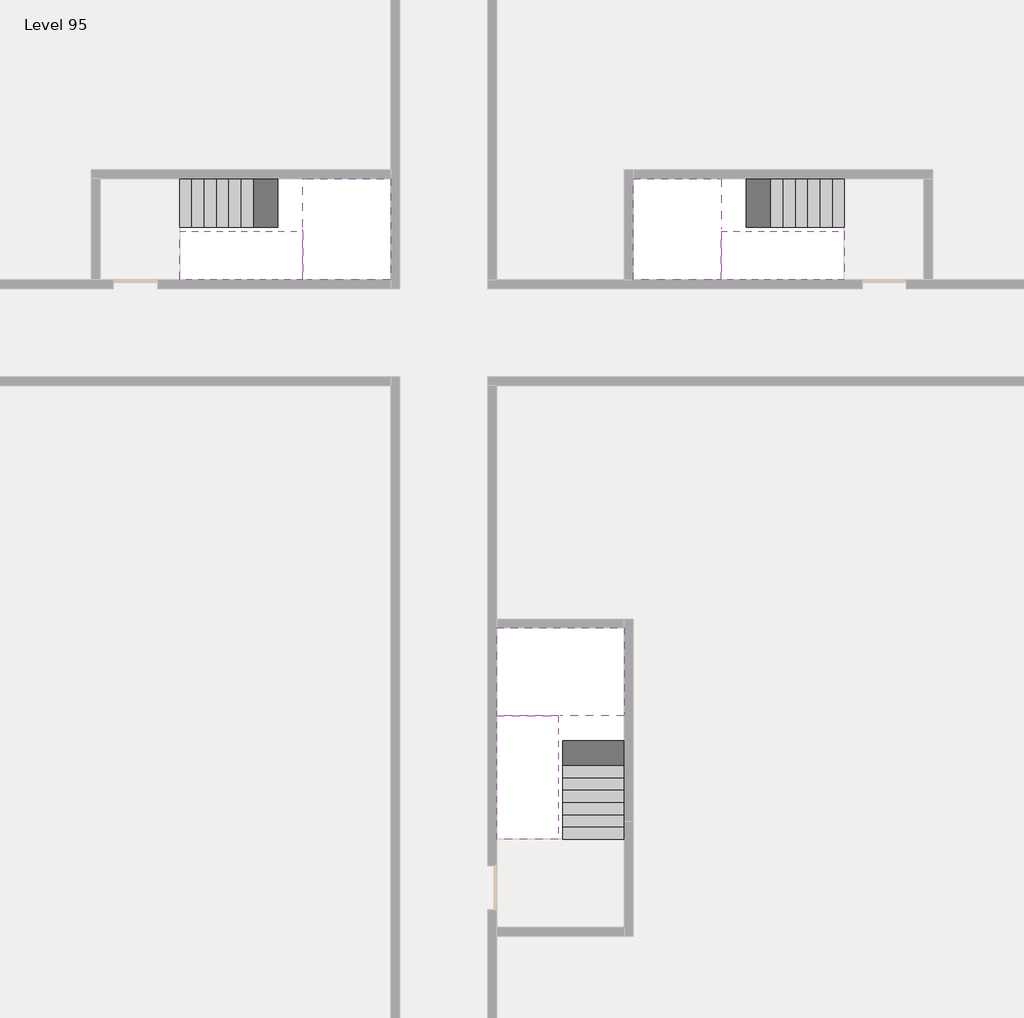
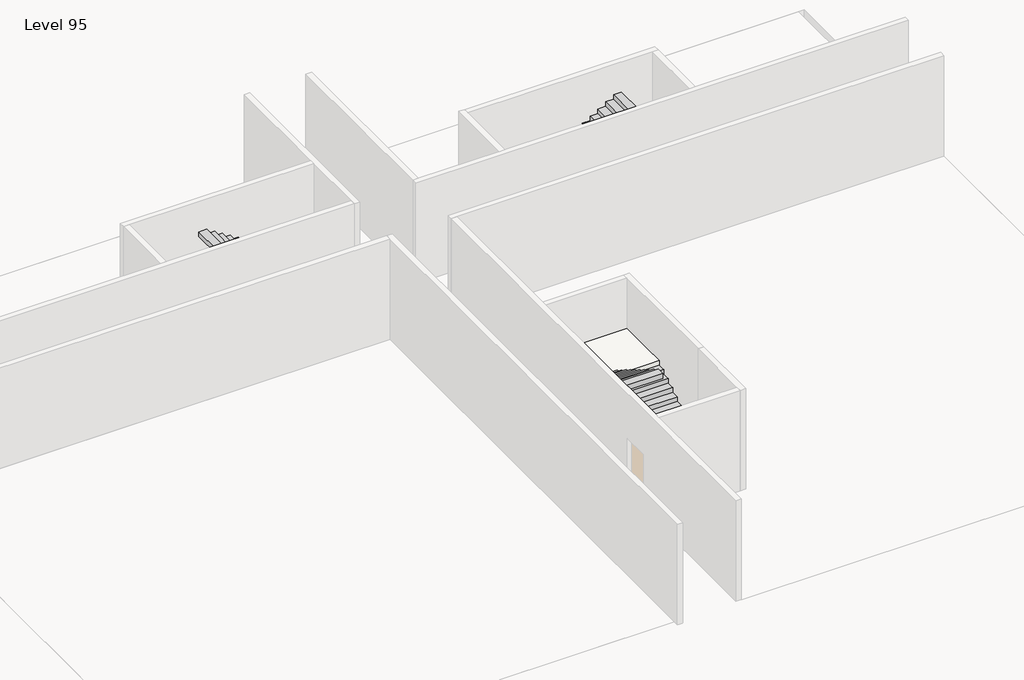
# One storey, part 2 of 2: 6 stair flights, 3 slabs.
"""IFC4 building model written with IfcOpenShell, lengths in millimetres."""

from ifc_helpers import new_model, si_unit, origin, place, context, project, spatial, faceted_brep, element, save

model = new_model("IFC4")

# Units and contexts
model_context = context("Model", 3, world=origin())
ifc_project = project(units=[si_unit("LENGTHUNIT", "METRE", prefix="MILLI")], contexts=[model_context])

# Site, building, storey
site = spatial("IfcSite", under=ifc_project)
building = spatial("IfcBuilding", under=site)
storey = spatial("IfcBuildingStorey", under=building, Name="Level 95", Elevation=357200.0)

# Slabs
placement = place(None, origin())
element("IfcSlab", 1, at=placement, inside=storey, context=model_context, shape_type="Brep", body=[
    faceted_brep([(26890.1058784, -40418.09644, 359100.0), (28290.1058784, -40418.09644, 359100.0), (28290.1058784, -40338.7100038, 359100.0), (28290.1058784, -38418.09644, 359100.0), (25390.1058784, -38418.09644, 359100.0), (25390.1058784, -40217.4828763, 359100.0), (25390.1058784, -40418.09644, 359100.0), (26790.1058784, -40418.09644, 359100.0), (26890.1058784, -40418.09644, 358800.0), (26890.1058784, -40418.09644, 358751.0278478), (28290.1058784, -40418.09644, 358751.0278478), (28290.1058784, -40418.09644, 358927.2727273), (28290.1058784, -40338.7100038, 358800.0), (28290.1058784, -38418.09644, 358800.0), (25390.1058784, -38418.09644, 358800.0), (25390.1058784, -40217.4828763, 358800.0), (25390.1058784, -40418.09644, 358923.7551205), (26790.1058784, -40418.09644, 358923.7551205), (26790.1058784, -40418.09644, 358800.0), (26790.1058784, -40217.4828763, 358800.0), (26890.1058784, -40338.7100038, 358800.0)], [[[0, 1, 2, 3, 4, 5, 6, 7]], [[1, 0, 8, 9, 10, 11]], [[1, 11, 10, 12, 13, 3, 2]], [[4, 3, 13, 14]], [[4, 14, 15, 16, 6, 5]], [[7, 6, 16, 17]], [[0, 7, 17, 18, 8]], [[18, 19, 15, 14, 13, 12, 20, 8]], [[19, 18, 17]], [[20, 12, 10, 9]], [[8, 20, 9]], [[15, 19, 17, 16]]]),
])
element("IfcSlab", 2, at=placement, inside=storey, context=model_context, shape_type="Brep", body=[
    faceted_brep([(20990.1058784, -28218.09644, 359100.0), (20990.1058784, -29318.09644, 359100.0), (20990.1058784, -29418.09644, 359100.0), (20990.1058784, -30518.09644, 359100.0), (21190.7194421, -30518.09644, 359100.0), (22990.1058784, -30518.09644, 359100.0), (22990.1058784, -28218.09644, 359100.0), (21069.4923146, -28218.09644, 359100.0), (20990.1058784, -28218.09644, 358927.2727273), (20990.1058784, -28218.09644, 358751.0278478), (20990.1058784, -29318.09644, 358751.0278478), (20990.1058784, -29318.09644, 358800.0), (20990.1058784, -29418.09644, 358800.0), (20990.1058784, -29418.09644, 358923.7551205), (20990.1058784, -30518.09644, 358923.7551205), (21190.7194421, -30518.09644, 358800.0), (22990.1058784, -30518.09644, 358800.0), (22990.1058784, -28218.09644, 358800.0), (21069.4923146, -28218.09644, 358800.0), (21190.7194421, -29418.09644, 358800.0), (21069.4923146, -29318.09644, 358800.0)], [[[0, 1, 2, 3, 4, 5, 6, 7]], [[1, 0, 8, 9, 10, 11]], [[2, 1, 11, 12, 13]], [[3, 2, 13, 14]], [[3, 14, 15, 16, 5, 4]], [[6, 5, 16, 17]], [[9, 8, 0, 7, 6, 17, 18]], [[19, 12, 11, 20, 18, 17, 16, 15]], [[12, 19, 13]], [[18, 20, 10, 9]], [[20, 11, 10]], [[19, 15, 14, 13]]]),
])
element("IfcSlab", 3, at=placement, inside=storey, context=model_context, shape_type="Brep", body=[
    faceted_brep([(30490.1058784, -29318.09644, 359100.0), (30490.1058784, -28218.09644, 359100.0), (30410.7194421, -28218.09644, 359100.0), (28490.1058784, -28218.09644, 359100.0), (28490.1058784, -30518.09644, 359100.0), (30289.4923146, -30518.09644, 359100.0), (30490.1058784, -30518.09644, 359100.0), (30490.1058784, -29418.09644, 359100.0), (30490.1058784, -29318.09644, 358800.0), (30490.1058784, -29318.09644, 358751.0278478), (30490.1058784, -28218.09644, 358751.0278478), (30490.1058784, -28218.09644, 358927.2727273), (30490.1058784, -29418.09644, 358923.7551205), (30490.1058784, -29418.09644, 358800.0), (30490.1058784, -30518.09644, 358923.7551205), (28490.1058784, -30518.09644, 358800.0), (30289.4923146, -30518.09644, 358800.0), (28490.1058784, -28218.09644, 358800.0), (30410.7194421, -28218.09644, 358800.0), (30289.4923146, -29418.09644, 358800.0), (30410.7194421, -29318.09644, 358800.0)], [[[0, 1, 2, 3, 4, 5, 6, 7]], [[1, 0, 8, 9, 10, 11]], [[0, 7, 12, 13, 8]], [[7, 6, 14, 12]], [[4, 15, 16, 14, 6, 5]], [[4, 3, 17, 15]], [[1, 11, 10, 18, 17, 3, 2]], [[13, 19, 16, 15, 17, 18, 20, 8]], [[20, 18, 10, 9]], [[8, 20, 9]], [[16, 19, 12, 14]], [[19, 13, 12]]]),
])

# Stair flights
element("IfcStairFlight", 4, at=placement, inside=storey, context=model_context, shape_type="Brep", body=[
    faceted_brep([(26890.1058784, -42938.09644, 357372.7272727), (26890.1058784, -43218.09644, 357372.7272727), (28290.1058784, -43218.09644, 357372.7272727), (28290.1058784, -42938.09644, 357372.7272727), (26890.1058784, -42938.09644, 357200.0), (26890.1058784, -43218.09644, 357200.0), (28290.1058784, -43218.09644, 357200.0), (28290.1058784, -42938.09644, 357200.0), (26890.1058784, -42658.09644, 357545.4545455), (26890.1058784, -42938.09644, 357545.4545455), (28290.1058784, -42938.09644, 357545.4545455), (28290.1058784, -42658.09644, 357545.4545455), (26890.1058784, -42658.09644, 357369.209666), (26890.1058784, -42932.3942143, 357200.0), (28290.1058784, -42932.3942143, 357200.0), (28290.1058784, -42658.09644, 357369.209666), (26890.1058784, -42378.09644, 357718.1818182), (26890.1058784, -42658.09644, 357718.1818182), (28290.1058784, -42658.09644, 357718.1818182), (28290.1058784, -42378.09644, 357718.1818182), (26890.1058784, -42378.09644, 357541.9369387), (28290.1058784, -42378.09644, 357541.9369387), (26890.1058784, -42098.09644, 357890.9090909), (26890.1058784, -42378.09644, 357890.9090909), (28290.1058784, -42378.09644, 357890.9090909), (28290.1058784, -42098.09644, 357890.9090909), (26890.1058784, -42098.09644, 357714.6642114), (28290.1058784, -42098.09644, 357714.6642114), (26890.1058784, -41818.09644, 358063.6363636), (26890.1058784, -42098.09644, 358063.6363636), (28290.1058784, -42098.09644, 358063.6363636), (28290.1058784, -41818.09644, 358063.6363636), (26890.1058784, -41818.09644, 357887.3914841), (28290.1058784, -41818.09644, 357887.3914841), (26890.1058784, -41538.09644, 358236.3636364), (26890.1058784, -41818.09644, 358236.3636364), (28290.1058784, -41818.09644, 358236.3636364), (28290.1058784, -41538.09644, 358236.3636364), (26890.1058784, -41538.09644, 358060.1187569), (28290.1058784, -41538.09644, 358060.1187569), (26890.1058784, -41258.09644, 358409.0909091), (26890.1058784, -41538.09644, 358409.0909091), (28290.1058784, -41538.09644, 358409.0909091), (28290.1058784, -41258.09644, 358409.0909091), (26890.1058784, -41258.09644, 358232.8460296), (28290.1058784, -41258.09644, 358232.8460296), (26890.1058784, -40978.09644, 358581.8181818), (26890.1058784, -41258.09644, 358581.8181818), (28290.1058784, -41258.09644, 358581.8181818), (28290.1058784, -40978.09644, 358581.8181818), (26890.1058784, -40978.09644, 358405.5733023), (28290.1058784, -40978.09644, 358405.5733023), (26890.1058784, -40698.09644, 358754.5454545), (26890.1058784, -40978.09644, 358754.5454545), (28290.1058784, -40978.09644, 358754.5454545), (28290.1058784, -40698.09644, 358754.5454545), (26890.1058784, -40698.09644, 358578.3005751), (28290.1058784, -40698.09644, 358578.3005751), (26890.1058784, -40418.09644, 358927.2727273), (26890.1058784, -40698.09644, 358927.2727273), (28290.1058784, -40698.09644, 358927.2727273), (28290.1058784, -40418.09644, 358927.2727273), (26890.1058784, -40418.09644, 358800.0), (26890.1058784, -40418.09644, 358751.0278478), (28290.1058784, -40418.09644, 358751.0278478)], [[[0, 1, 2, 3]], [[1, 0, 4, 5]], [[2, 1, 5, 6]], [[3, 2, 6, 7]], [[8, 9, 10, 11]], [[4, 0, 9, 8, 12, 13]], [[0, 3, 10, 9]], [[3, 7, 14, 15, 11, 10]], [[16, 17, 18, 19]], [[17, 16, 20, 12, 8]], [[8, 11, 18, 17]], [[19, 18, 11, 15, 21]], [[22, 23, 24, 25]], [[23, 22, 26, 20, 16]], [[16, 19, 24, 23]], [[25, 24, 19, 21, 27]], [[28, 29, 30, 31]], [[29, 28, 32, 26, 22]], [[22, 25, 30, 29]], [[31, 30, 25, 27, 33]], [[34, 35, 36, 37]], [[35, 34, 38, 32, 28]], [[28, 31, 36, 35]], [[37, 36, 31, 33, 39]], [[40, 41, 42, 43]], [[41, 40, 44, 38, 34]], [[34, 37, 42, 41]], [[43, 42, 37, 39, 45]], [[46, 47, 48, 49]], [[47, 46, 50, 44, 40]], [[40, 43, 48, 47]], [[49, 48, 43, 45, 51]], [[52, 53, 54, 55]], [[53, 52, 56, 50, 46]], [[46, 49, 54, 53]], [[55, 54, 49, 51, 57]], [[58, 59, 60, 61]], [[59, 58, 62, 63, 56, 52]], [[52, 55, 60, 59]], [[61, 60, 55, 57, 64]], [[58, 61, 64, 63, 62]], [[5, 4, 13, 14, 7, 6]], [[14, 13, 12, 20, 26, 32, 38, 44, 50, 56, 63, 64, 57, 51, 45, 39, 33, 27, 21, 15]]]),
])
element("IfcStairFlight", 5, at=placement, inside=storey, context=model_context, shape_type="Brep", body=[
    faceted_brep([(26790.1058784, -40698.09644, 359272.7272727), (26790.1058784, -40418.09644, 359272.7272727), (25390.1058784, -40418.09644, 359272.7272727), (25390.1058784, -40698.09644, 359272.7272727), (26790.1058784, -40698.09644, 359096.4823932), (26790.1058784, -40418.09644, 358923.7551205), (25390.1058784, -40418.09644, 358923.7551205), (25390.1058784, -40418.09644, 359100.0), (25390.1058784, -40698.09644, 359096.4823932), (26790.1058784, -40978.09644, 359445.4545455), (26790.1058784, -40698.09644, 359445.4545455), (25390.1058784, -40698.09644, 359445.4545455), (25390.1058784, -40978.09644, 359445.4545455), (26790.1058784, -40978.09644, 359269.209666), (25390.1058784, -40978.09644, 359269.209666), (26790.1058784, -41258.09644, 359618.1818182), (26790.1058784, -40978.09644, 359618.1818182), (25390.1058784, -40978.09644, 359618.1818182), (25390.1058784, -41258.09644, 359618.1818182), (26790.1058784, -41258.09644, 359441.9369387), (25390.1058784, -41258.09644, 359441.9369387), (26790.1058784, -41538.09644, 359790.9090909), (26790.1058784, -41258.09644, 359790.9090909), (25390.1058784, -41258.09644, 359790.9090909), (25390.1058784, -41538.09644, 359790.9090909), (26790.1058784, -41538.09644, 359614.6642114), (25390.1058784, -41538.09644, 359614.6642114), (26790.1058784, -41818.09644, 359963.6363636), (26790.1058784, -41538.09644, 359963.6363636), (25390.1058784, -41538.09644, 359963.6363636), (25390.1058784, -41818.09644, 359963.6363636), (26790.1058784, -41818.09644, 359787.3914841), (25390.1058784, -41818.09644, 359787.3914841), (26790.1058784, -42098.09644, 360136.3636364), (26790.1058784, -41818.09644, 360136.3636364), (25390.1058784, -41818.09644, 360136.3636364), (25390.1058784, -42098.09644, 360136.3636364), (26790.1058784, -42098.09644, 359960.1187569), (25390.1058784, -42098.09644, 359960.1187569), (26790.1058784, -42378.09644, 360309.0909091), (26790.1058784, -42098.09644, 360309.0909091), (25390.1058784, -42098.09644, 360309.0909091), (25390.1058784, -42378.09644, 360309.0909091), (26790.1058784, -42378.09644, 360132.8460296), (25390.1058784, -42378.09644, 360132.8460296), (26790.1058784, -42658.09644, 360481.8181818), (26790.1058784, -42378.09644, 360481.8181818), (25390.1058784, -42378.09644, 360481.8181818), (25390.1058784, -42658.09644, 360481.8181818), (26790.1058784, -42658.09644, 360305.5733023), (25390.1058784, -42658.09644, 360305.5733023), (26790.1058784, -42938.09644, 360654.5454545), (26790.1058784, -42658.09644, 360654.5454545), (25390.1058784, -42658.09644, 360654.5454545), (25390.1058784, -42938.09644, 360654.5454545), (26790.1058784, -42938.09644, 360478.3005751), (25390.1058784, -42938.09644, 360478.3005751), (26790.1058784, -43218.09644, 360827.2727273), (26790.1058784, -42938.09644, 360827.2727273), (25390.1058784, -42938.09644, 360827.2727273), (25390.1058784, -43218.09644, 360827.2727273), (26790.1058784, -43218.09644, 360651.0278478), (25390.1058784, -43218.09644, 360651.0278478)], [[[0, 1, 2, 3]], [[1, 0, 4, 5]], [[2, 1, 5, 6, 7]], [[3, 2, 7, 6, 8]], [[9, 10, 11, 12]], [[10, 9, 13, 4, 0]], [[11, 10, 0, 3]], [[12, 11, 3, 8, 14]], [[15, 16, 17, 18]], [[16, 15, 19, 13, 9]], [[17, 16, 9, 12]], [[18, 17, 12, 14, 20]], [[21, 22, 23, 24]], [[22, 21, 25, 19, 15]], [[23, 22, 15, 18]], [[24, 23, 18, 20, 26]], [[27, 28, 29, 30]], [[28, 27, 31, 25, 21]], [[29, 28, 21, 24]], [[30, 29, 24, 26, 32]], [[33, 34, 35, 36]], [[34, 33, 37, 31, 27]], [[35, 34, 27, 30]], [[36, 35, 30, 32, 38]], [[39, 40, 41, 42]], [[40, 39, 43, 37, 33]], [[41, 40, 33, 36]], [[42, 41, 36, 38, 44]], [[45, 46, 47, 48]], [[46, 45, 49, 43, 39]], [[47, 46, 39, 42]], [[48, 47, 42, 44, 50]], [[51, 52, 53, 54]], [[52, 51, 55, 49, 45]], [[53, 52, 45, 48]], [[54, 53, 48, 50, 56]], [[57, 58, 59, 60]], [[58, 57, 61, 55, 51]], [[59, 58, 51, 54]], [[60, 59, 54, 56, 62]], [[57, 60, 62, 61]], [[5, 4, 13, 19, 25, 31, 37, 43, 49, 55, 61, 62, 56, 50, 44, 38, 32, 26, 20, 14, 8, 6]]]),
])
element("IfcStairFlight", 6, at=placement, inside=storey, context=model_context, shape_type="Brep", body=[
    faceted_brep([(18470.1058784, -28218.09644, 357372.7272727), (18190.1058784, -28218.09644, 357372.7272727), (18190.1058784, -29318.09644, 357372.7272727), (18470.1058784, -29318.09644, 357372.7272727), (18470.1058784, -28218.09644, 357200.0), (18190.1058784, -28218.09644, 357200.0), (18190.1058784, -29318.09644, 357200.0), (18470.1058784, -29318.09644, 357200.0), (18750.1058784, -28218.09644, 357545.4545455), (18470.1058784, -28218.09644, 357545.4545455), (18470.1058784, -29318.09644, 357545.4545455), (18750.1058784, -29318.09644, 357545.4545455), (18750.1058784, -28218.09644, 357369.209666), (18475.8081041, -28218.09644, 357200.0), (18475.8081041, -29318.09644, 357200.0), (18750.1058784, -29318.09644, 357369.209666), (19030.1058784, -28218.09644, 357718.1818182), (18750.1058784, -28218.09644, 357718.1818182), (18750.1058784, -29318.09644, 357718.1818182), (19030.1058784, -29318.09644, 357718.1818182), (19030.1058784, -28218.09644, 357541.9369387), (19030.1058784, -29318.09644, 357541.9369387), (19310.1058784, -28218.09644, 357890.9090909), (19030.1058784, -28218.09644, 357890.9090909), (19030.1058784, -29318.09644, 357890.9090909), (19310.1058784, -29318.09644, 357890.9090909), (19310.1058784, -28218.09644, 357714.6642114), (19310.1058784, -29318.09644, 357714.6642114), (19590.1058784, -28218.09644, 358063.6363636), (19310.1058784, -28218.09644, 358063.6363636), (19310.1058784, -29318.09644, 358063.6363636), (19590.1058784, -29318.09644, 358063.6363636), (19590.1058784, -28218.09644, 357887.3914841), (19590.1058784, -29318.09644, 357887.3914841), (19870.1058784, -28218.09644, 358236.3636364), (19590.1058784, -28218.09644, 358236.3636364), (19590.1058784, -29318.09644, 358236.3636364), (19870.1058784, -29318.09644, 358236.3636364), (19870.1058784, -28218.09644, 358060.1187569), (19870.1058784, -29318.09644, 358060.1187569), (20150.1058784, -28218.09644, 358409.0909091), (19870.1058784, -28218.09644, 358409.0909091), (19870.1058784, -29318.09644, 358409.0909091), (20150.1058784, -29318.09644, 358409.0909091), (20150.1058784, -28218.09644, 358232.8460296), (20150.1058784, -29318.09644, 358232.8460296), (20430.1058784, -28218.09644, 358581.8181818), (20150.1058784, -28218.09644, 358581.8181818), (20150.1058784, -29318.09644, 358581.8181818), (20430.1058784, -29318.09644, 358581.8181818), (20430.1058784, -28218.09644, 358405.5733023), (20430.1058784, -29318.09644, 358405.5733023), (20710.1058784, -28218.09644, 358754.5454545), (20430.1058784, -28218.09644, 358754.5454545), (20430.1058784, -29318.09644, 358754.5454545), (20710.1058784, -29318.09644, 358754.5454545), (20710.1058784, -28218.09644, 358578.3005751), (20710.1058784, -29318.09644, 358578.3005751), (20990.1058784, -28218.09644, 358927.2727273), (20710.1058784, -28218.09644, 358927.2727273), (20710.1058784, -29318.09644, 358927.2727273), (20990.1058784, -29318.09644, 358927.2727273), (20990.1058784, -28218.09644, 358751.0278478), (20990.1058784, -29318.09644, 358751.0278478), (20990.1058784, -29318.09644, 358800.0)], [[[0, 1, 2, 3]], [[1, 0, 4, 5]], [[2, 1, 5, 6]], [[3, 2, 6, 7]], [[8, 9, 10, 11]], [[4, 0, 9, 8, 12, 13]], [[0, 3, 10, 9]], [[3, 7, 14, 15, 11, 10]], [[16, 17, 18, 19]], [[17, 16, 20, 12, 8]], [[8, 11, 18, 17]], [[19, 18, 11, 15, 21]], [[22, 23, 24, 25]], [[23, 22, 26, 20, 16]], [[16, 19, 24, 23]], [[25, 24, 19, 21, 27]], [[28, 29, 30, 31]], [[29, 28, 32, 26, 22]], [[22, 25, 30, 29]], [[31, 30, 25, 27, 33]], [[34, 35, 36, 37]], [[35, 34, 38, 32, 28]], [[28, 31, 36, 35]], [[37, 36, 31, 33, 39]], [[40, 41, 42, 43]], [[41, 40, 44, 38, 34]], [[34, 37, 42, 41]], [[43, 42, 37, 39, 45]], [[46, 47, 48, 49]], [[47, 46, 50, 44, 40]], [[40, 43, 48, 47]], [[49, 48, 43, 45, 51]], [[52, 53, 54, 55]], [[53, 52, 56, 50, 46]], [[46, 49, 54, 53]], [[55, 54, 49, 51, 57]], [[58, 59, 60, 61]], [[59, 58, 62, 56, 52]], [[52, 55, 60, 59]], [[61, 60, 55, 57, 63, 64]], [[58, 61, 64, 63, 62]], [[5, 4, 13, 14, 7, 6]], [[14, 13, 12, 20, 26, 32, 38, 44, 50, 56, 62, 63, 57, 51, 45, 39, 33, 27, 21, 15]]]),
])
element("IfcStairFlight", 7, at=placement, inside=storey, context=model_context, shape_type="Brep", body=[
    faceted_brep([(20710.1058784, -30518.09644, 359272.7272727), (20990.1058784, -30518.09644, 359272.7272727), (20990.1058784, -29418.09644, 359272.7272727), (20710.1058784, -29418.09644, 359272.7272727), (20710.1058784, -30518.09644, 359096.4823932), (20990.1058784, -30518.09644, 358923.7551205), (20990.1058784, -30518.09644, 359100.0), (20990.1058784, -29418.09644, 358923.7551205), (20710.1058784, -29418.09644, 359096.4823932), (20430.1058784, -30518.09644, 359445.4545455), (20710.1058784, -30518.09644, 359445.4545455), (20710.1058784, -29418.09644, 359445.4545455), (20430.1058784, -29418.09644, 359445.4545455), (20430.1058784, -30518.09644, 359269.209666), (20430.1058784, -29418.09644, 359269.209666), (20150.1058784, -30518.09644, 359618.1818182), (20430.1058784, -30518.09644, 359618.1818182), (20430.1058784, -29418.09644, 359618.1818182), (20150.1058784, -29418.09644, 359618.1818182), (20150.1058784, -30518.09644, 359441.9369387), (20150.1058784, -29418.09644, 359441.9369387), (19870.1058784, -30518.09644, 359790.9090909), (20150.1058784, -30518.09644, 359790.9090909), (20150.1058784, -29418.09644, 359790.9090909), (19870.1058784, -29418.09644, 359790.9090909), (19870.1058784, -30518.09644, 359614.6642114), (19870.1058784, -29418.09644, 359614.6642114), (19590.1058784, -30518.09644, 359963.6363636), (19870.1058784, -30518.09644, 359963.6363636), (19870.1058784, -29418.09644, 359963.6363636), (19590.1058784, -29418.09644, 359963.6363636), (19590.1058784, -30518.09644, 359787.3914841), (19590.1058784, -29418.09644, 359787.3914841), (19310.1058784, -30518.09644, 360136.3636364), (19590.1058784, -30518.09644, 360136.3636364), (19590.1058784, -29418.09644, 360136.3636364), (19310.1058784, -29418.09644, 360136.3636364), (19310.1058784, -30518.09644, 359960.1187569), (19310.1058784, -29418.09644, 359960.1187569), (19030.1058784, -30518.09644, 360309.0909091), (19310.1058784, -30518.09644, 360309.0909091), (19310.1058784, -29418.09644, 360309.0909091), (19030.1058784, -29418.09644, 360309.0909091), (19030.1058784, -30518.09644, 360132.8460296), (19030.1058784, -29418.09644, 360132.8460296), (18750.1058784, -30518.09644, 360481.8181818), (19030.1058784, -30518.09644, 360481.8181818), (19030.1058784, -29418.09644, 360481.8181818), (18750.1058784, -29418.09644, 360481.8181818), (18750.1058784, -30518.09644, 360305.5733023), (18750.1058784, -29418.09644, 360305.5733023), (18470.1058784, -30518.09644, 360654.5454545), (18750.1058784, -30518.09644, 360654.5454545), (18750.1058784, -29418.09644, 360654.5454545), (18470.1058784, -29418.09644, 360654.5454545), (18470.1058784, -30518.09644, 360478.3005751), (18470.1058784, -29418.09644, 360478.3005751), (18190.1058784, -30518.09644, 360827.2727273), (18470.1058784, -30518.09644, 360827.2727273), (18470.1058784, -29418.09644, 360827.2727273), (18190.1058784, -29418.09644, 360827.2727273), (18190.1058784, -30518.09644, 360651.0278478), (18190.1058784, -29418.09644, 360651.0278478)], [[[0, 1, 2, 3]], [[1, 0, 4, 5, 6]], [[2, 1, 6, 5, 7]], [[3, 2, 7, 8]], [[9, 10, 11, 12]], [[10, 9, 13, 4, 0]], [[11, 10, 0, 3]], [[12, 11, 3, 8, 14]], [[15, 16, 17, 18]], [[16, 15, 19, 13, 9]], [[17, 16, 9, 12]], [[18, 17, 12, 14, 20]], [[21, 22, 23, 24]], [[22, 21, 25, 19, 15]], [[23, 22, 15, 18]], [[24, 23, 18, 20, 26]], [[27, 28, 29, 30]], [[28, 27, 31, 25, 21]], [[29, 28, 21, 24]], [[30, 29, 24, 26, 32]], [[33, 34, 35, 36]], [[34, 33, 37, 31, 27]], [[35, 34, 27, 30]], [[36, 35, 30, 32, 38]], [[39, 40, 41, 42]], [[40, 39, 43, 37, 33]], [[41, 40, 33, 36]], [[42, 41, 36, 38, 44]], [[45, 46, 47, 48]], [[46, 45, 49, 43, 39]], [[47, 46, 39, 42]], [[48, 47, 42, 44, 50]], [[51, 52, 53, 54]], [[52, 51, 55, 49, 45]], [[53, 52, 45, 48]], [[54, 53, 48, 50, 56]], [[57, 58, 59, 60]], [[58, 57, 61, 55, 51]], [[59, 58, 51, 54]], [[60, 59, 54, 56, 62]], [[57, 60, 62, 61]], [[5, 4, 13, 19, 25, 31, 37, 43, 49, 55, 61, 62, 56, 50, 44, 38, 32, 26, 20, 14, 8, 7]]]),
])
element("IfcStairFlight", 8, at=placement, inside=storey, context=model_context, shape_type="Brep", body=[
    faceted_brep([(33010.1058784, -29318.09644, 357372.7272727), (33290.1058784, -29318.09644, 357372.7272727), (33290.1058784, -28218.09644, 357372.7272727), (33010.1058784, -28218.09644, 357372.7272727), (33290.1058784, -28218.09644, 357200.0), (33010.1058784, -28218.09644, 357200.0), (33290.1058784, -29318.09644, 357200.0), (33010.1058784, -29318.09644, 357200.0), (32730.1058784, -29318.09644, 357545.4545455), (33010.1058784, -29318.09644, 357545.4545455), (33010.1058784, -28218.09644, 357545.4545455), (32730.1058784, -28218.09644, 357545.4545455), (33004.4036527, -28218.09644, 357200.0), (32730.1058784, -28218.09644, 357369.209666), (32730.1058784, -29318.09644, 357369.209666), (33004.4036527, -29318.09644, 357200.0), (32450.1058784, -29318.09644, 357718.1818182), (32730.1058784, -29318.09644, 357718.1818182), (32730.1058784, -28218.09644, 357718.1818182), (32450.1058784, -28218.09644, 357718.1818182), (32450.1058784, -28218.09644, 357541.9369387), (32450.1058784, -29318.09644, 357541.9369387), (32170.1058784, -29318.09644, 357890.9090909), (32450.1058784, -29318.09644, 357890.9090909), (32450.1058784, -28218.09644, 357890.9090909), (32170.1058784, -28218.09644, 357890.9090909), (32170.1058784, -28218.09644, 357714.6642114), (32170.1058784, -29318.09644, 357714.6642114), (31890.1058784, -29318.09644, 358063.6363636), (32170.1058784, -29318.09644, 358063.6363636), (32170.1058784, -28218.09644, 358063.6363636), (31890.1058784, -28218.09644, 358063.6363636), (31890.1058784, -28218.09644, 357887.3914841), (31890.1058784, -29318.09644, 357887.3914841), (31610.1058784, -29318.09644, 358236.3636364), (31890.1058784, -29318.09644, 358236.3636364), (31890.1058784, -28218.09644, 358236.3636364), (31610.1058784, -28218.09644, 358236.3636364), (31610.1058784, -28218.09644, 358060.1187569), (31610.1058784, -29318.09644, 358060.1187569), (31330.1058784, -29318.09644, 358409.0909091), (31610.1058784, -29318.09644, 358409.0909091), (31610.1058784, -28218.09644, 358409.0909091), (31330.1058784, -28218.09644, 358409.0909091), (31330.1058784, -28218.09644, 358232.8460296), (31330.1058784, -29318.09644, 358232.8460296), (31050.1058784, -29318.09644, 358581.8181818), (31330.1058784, -29318.09644, 358581.8181818), (31330.1058784, -28218.09644, 358581.8181818), (31050.1058784, -28218.09644, 358581.8181818), (31050.1058784, -28218.09644, 358405.5733023), (31050.1058784, -29318.09644, 358405.5733023), (30770.1058784, -29318.09644, 358754.5454545), (31050.1058784, -29318.09644, 358754.5454545), (31050.1058784, -28218.09644, 358754.5454545), (30770.1058784, -28218.09644, 358754.5454545), (30770.1058784, -28218.09644, 358578.3005751), (30770.1058784, -29318.09644, 358578.3005751), (30490.1058784, -29318.09644, 358927.2727273), (30770.1058784, -29318.09644, 358927.2727273), (30770.1058784, -28218.09644, 358927.2727273), (30490.1058784, -28218.09644, 358927.2727273), (30490.1058784, -28218.09644, 358751.0278478), (30490.1058784, -29318.09644, 358800.0), (30490.1058784, -29318.09644, 358751.0278478)], [[[0, 1, 2, 3]], [[3, 2, 4, 5]], [[2, 1, 6, 4]], [[1, 0, 7, 6]], [[8, 9, 10, 11]], [[3, 5, 12, 13, 11, 10]], [[0, 3, 10, 9]], [[7, 0, 9, 8, 14, 15]], [[16, 17, 18, 19]], [[19, 18, 11, 13, 20]], [[8, 11, 18, 17]], [[17, 16, 21, 14, 8]], [[22, 23, 24, 25]], [[25, 24, 19, 20, 26]], [[16, 19, 24, 23]], [[23, 22, 27, 21, 16]], [[28, 29, 30, 31]], [[31, 30, 25, 26, 32]], [[22, 25, 30, 29]], [[29, 28, 33, 27, 22]], [[34, 35, 36, 37]], [[37, 36, 31, 32, 38]], [[28, 31, 36, 35]], [[35, 34, 39, 33, 28]], [[40, 41, 42, 43]], [[43, 42, 37, 38, 44]], [[34, 37, 42, 41]], [[41, 40, 45, 39, 34]], [[46, 47, 48, 49]], [[49, 48, 43, 44, 50]], [[40, 43, 48, 47]], [[47, 46, 51, 45, 40]], [[52, 53, 54, 55]], [[55, 54, 49, 50, 56]], [[46, 49, 54, 53]], [[53, 52, 57, 51, 46]], [[58, 59, 60, 61]], [[61, 60, 55, 56, 62]], [[52, 55, 60, 59]], [[59, 58, 63, 64, 57, 52]], [[58, 61, 62, 64, 63]], [[6, 7, 15, 12, 5, 4]], [[12, 15, 14, 21, 27, 33, 39, 45, 51, 57, 64, 62, 56, 50, 44, 38, 32, 26, 20, 13]]]),
])
element("IfcStairFlight", 9, at=placement, inside=storey, context=model_context, shape_type="Brep", body=[
    faceted_brep([(30770.1058784, -29418.09644, 359272.7272727), (30490.1058784, -29418.09644, 359272.7272727), (30490.1058784, -30518.09644, 359272.7272727), (30770.1058784, -30518.09644, 359272.7272727), (30490.1058784, -30518.09644, 359100.0), (30490.1058784, -30518.09644, 358923.7551205), (30770.1058784, -30518.09644, 359096.4823932), (30490.1058784, -29418.09644, 358923.7551205), (30770.1058784, -29418.09644, 359096.4823932), (31050.1058784, -29418.09644, 359445.4545455), (30770.1058784, -29418.09644, 359445.4545455), (30770.1058784, -30518.09644, 359445.4545455), (31050.1058784, -30518.09644, 359445.4545455), (31050.1058784, -30518.09644, 359269.209666), (31050.1058784, -29418.09644, 359269.209666), (31330.1058784, -29418.09644, 359618.1818182), (31050.1058784, -29418.09644, 359618.1818182), (31050.1058784, -30518.09644, 359618.1818182), (31330.1058784, -30518.09644, 359618.1818182), (31330.1058784, -30518.09644, 359441.9369387), (31330.1058784, -29418.09644, 359441.9369387), (31610.1058784, -29418.09644, 359790.9090909), (31330.1058784, -29418.09644, 359790.9090909), (31330.1058784, -30518.09644, 359790.9090909), (31610.1058784, -30518.09644, 359790.9090909), (31610.1058784, -30518.09644, 359614.6642114), (31610.1058784, -29418.09644, 359614.6642114), (31890.1058784, -29418.09644, 359963.6363636), (31610.1058784, -29418.09644, 359963.6363636), (31610.1058784, -30518.09644, 359963.6363636), (31890.1058784, -30518.09644, 359963.6363636), (31890.1058784, -30518.09644, 359787.3914841), (31890.1058784, -29418.09644, 359787.3914841), (32170.1058784, -29418.09644, 360136.3636364), (31890.1058784, -29418.09644, 360136.3636364), (31890.1058784, -30518.09644, 360136.3636364), (32170.1058784, -30518.09644, 360136.3636364), (32170.1058784, -30518.09644, 359960.1187569), (32170.1058784, -29418.09644, 359960.1187569), (32450.1058784, -29418.09644, 360309.0909091), (32170.1058784, -29418.09644, 360309.0909091), (32170.1058784, -30518.09644, 360309.0909091), (32450.1058784, -30518.09644, 360309.0909091), (32450.1058784, -30518.09644, 360132.8460296), (32450.1058784, -29418.09644, 360132.8460296), (32730.1058784, -29418.09644, 360481.8181818), (32450.1058784, -29418.09644, 360481.8181818), (32450.1058784, -30518.09644, 360481.8181818), (32730.1058784, -30518.09644, 360481.8181818), (32730.1058784, -30518.09644, 360305.5733023), (32730.1058784, -29418.09644, 360305.5733023), (33010.1058784, -29418.09644, 360654.5454545), (32730.1058784, -29418.09644, 360654.5454545), (32730.1058784, -30518.09644, 360654.5454545), (33010.1058784, -30518.09644, 360654.5454545), (33010.1058784, -30518.09644, 360478.3005751), (33010.1058784, -29418.09644, 360478.3005751), (33290.1058784, -29418.09644, 360827.2727273), (33010.1058784, -29418.09644, 360827.2727273), (33010.1058784, -30518.09644, 360827.2727273), (33290.1058784, -30518.09644, 360827.2727273), (33290.1058784, -30518.09644, 360651.0278478), (33290.1058784, -29418.09644, 360651.0278478)], [[[0, 1, 2, 3]], [[3, 2, 4, 5, 6]], [[2, 1, 7, 5, 4]], [[1, 0, 8, 7]], [[9, 10, 11, 12]], [[12, 11, 3, 6, 13]], [[11, 10, 0, 3]], [[10, 9, 14, 8, 0]], [[15, 16, 17, 18]], [[18, 17, 12, 13, 19]], [[17, 16, 9, 12]], [[16, 15, 20, 14, 9]], [[21, 22, 23, 24]], [[24, 23, 18, 19, 25]], [[23, 22, 15, 18]], [[22, 21, 26, 20, 15]], [[27, 28, 29, 30]], [[30, 29, 24, 25, 31]], [[29, 28, 21, 24]], [[28, 27, 32, 26, 21]], [[33, 34, 35, 36]], [[36, 35, 30, 31, 37]], [[35, 34, 27, 30]], [[34, 33, 38, 32, 27]], [[39, 40, 41, 42]], [[42, 41, 36, 37, 43]], [[41, 40, 33, 36]], [[40, 39, 44, 38, 33]], [[45, 46, 47, 48]], [[48, 47, 42, 43, 49]], [[47, 46, 39, 42]], [[46, 45, 50, 44, 39]], [[51, 52, 53, 54]], [[54, 53, 48, 49, 55]], [[53, 52, 45, 48]], [[52, 51, 56, 50, 45]], [[57, 58, 59, 60]], [[60, 59, 54, 55, 61]], [[59, 58, 51, 54]], [[58, 57, 62, 56, 51]], [[57, 60, 61, 62]], [[7, 8, 14, 20, 26, 32, 38, 44, 50, 56, 62, 61, 55, 49, 43, 37, 31, 25, 19, 13, 6, 5]]]),
])

save(model, "model.ifc")
